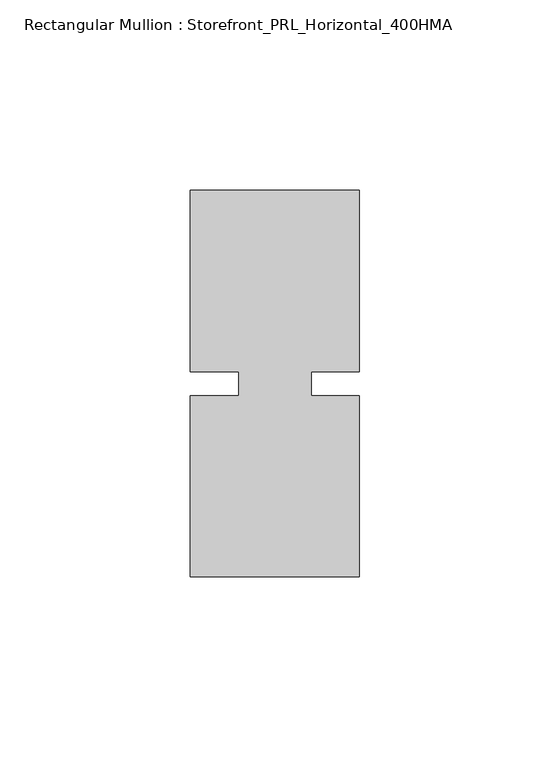
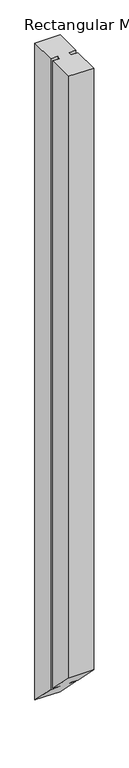
"""IFC4 building model written with IfcOpenShell, lengths in millimetres: member geometry, Rectangular Mullion : Storefront_PRL_Horizontal_400HMA."""

from ifc_helpers import new_model, si_unit, origin, place, context, project, spatial, faceted_brep, source, transform, mapped, element, save


def rectangular_mullion_storefront_prl_horizontal_400hma_cd7410b3(model_context):
    return source(origin(), model_context, "Body", "Brep", [
        faceted_brep([(-9.525, -3.175, 0.0), (-22.225, -3.175, 0.0), (-22.225, -50.8, 0.0), (22.225, -50.8, 0.0), (22.225, -3.175, 0.0), (9.525, -3.175, 0.0), (9.525, 3.175, 0.0), (22.225, 3.175, 0.0), (22.225, 50.8, 0.0), (-22.225, 50.8, 0.0), (-22.225, 3.175, 0.0), (-9.525, 3.175, 0.0), (-9.525, -3.175, -1165.225), (-22.225, -3.175, -1165.225), (-22.225, -50.8, -1117.6), (22.225, -50.8, -1117.6), (22.225, -3.175, -1165.225), (9.525, -3.175, -1165.225), (9.525, 3.175, -1171.575), (22.225, 3.175, -1171.575), (22.225, 50.8, -1219.2), (-22.225, 50.8, -1219.2), (-22.225, 3.175, -1171.575), (-9.525, 3.175, -1171.575)], [[[0, 1, 2, 3, 4, 5, 6, 7, 8, 9, 10, 11]], [[1, 0, 12, 13]], [[2, 1, 13, 14]], [[3, 2, 14, 15]], [[4, 3, 15, 16]], [[5, 4, 16, 17]], [[6, 5, 17, 18]], [[7, 6, 18, 19]], [[8, 7, 19, 20]], [[9, 8, 20, 21]], [[10, 9, 21, 22]], [[11, 10, 22, 23]], [[0, 11, 23, 12]], [[12, 23, 22, 21, 20, 19, 18, 17, 16, 15, 14, 13]]]),
    ])


if __name__ == "__main__":
    model = new_model("IFC4")
    model_context = context("Model", 3, world=origin())
    ifc_project = project(units=[si_unit("LENGTHUNIT", "METRE", prefix="MILLI")], contexts=[model_context])
    site = spatial("IfcSite", under=ifc_project)
    building = spatial("IfcBuilding", under=site)
    placement = place(None, origin())
    rectangular_mullion_storefront_prl_horizontal_400hma_shape = rectangular_mullion_storefront_prl_horizontal_400hma_cd7410b3(model_context)
    element("IfcMember", 1, ObjectType="Rectangular Mullion : Storefront_PRL_Horizontal_400HMA", at=placement, inside=building, context=model_context, shape_type="MappedRepresentation", body=[
        mapped(rectangular_mullion_storefront_prl_horizontal_400hma_shape, transform((0.0, 0.0, 0.0), x_axis=(1.0, 0.0, 0.0), y_axis=(0.0, 1.0, 0.0), z_axis=(0.0, 0.0, 1.0))),
    ])
    save(model, "model.ifc")
